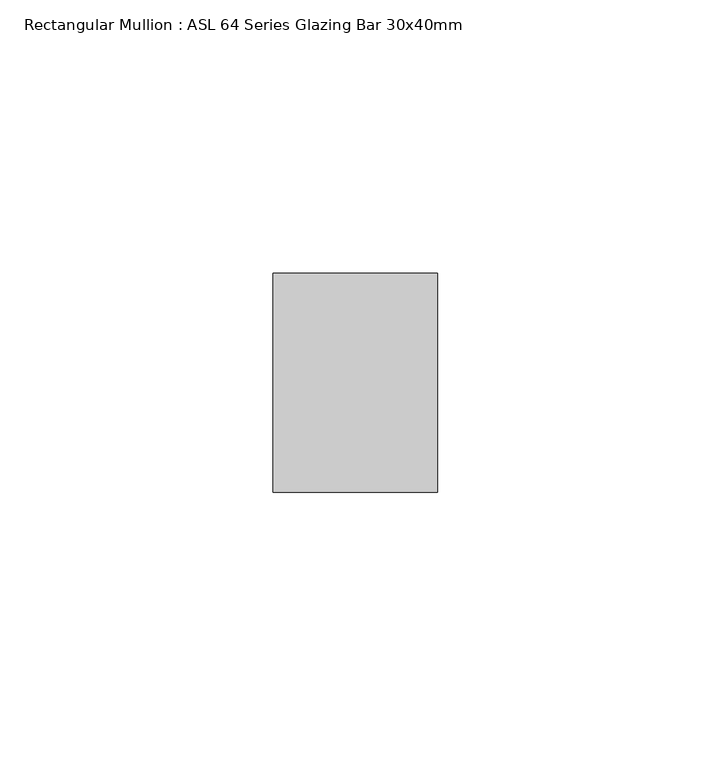
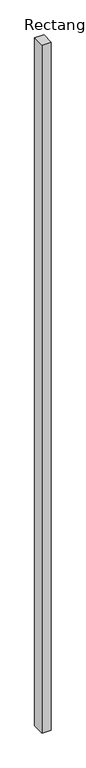
"""IFC4 building model written with IfcOpenShell, lengths in millimetres: member geometry, Rectangular Mullion : ASL 64 Series Glazing Bar 30x40mm."""

import ifcopenshell
import ifcopenshell.guid

model = None  # the IFC model being written
_history = None  # IfcOwnerHistory: only IFC2X3 demands one
_inside = {}  # id of a spatial element -> (the spatial element, [elements in it])
_under = {}  # id of a project, library or spatial element -> (it, [spatial elements below it])
_declared = {}  # id of a project -> (the project, [libraries it declares])
_typed = {}  # id of a type object -> (the type object, [elements of that type])
_made_of = {}  # id of a material, layer set ... -> (it, [elements and type objects made of it])


def new_model(schema):
    """Start an empty IFC model of exactly this schema.

    Asked for "IFC4X3", IfcOpenShell would pick the latest addendum, in which some entities
    have other attributes; the version numbers below select the first issue.
    IFC2X3 requires an IfcOwnerHistory on every rooted entity: one is made here for all.
    """
    global model, _history
    if schema == "IFC4X3":
        model = ifcopenshell.file(schema_version=(4, 3, 0, 0))
    else:
        model = ifcopenshell.file(schema=schema)
    _inside.clear()
    _under.clear()
    _declared.clear()
    _typed.clear()
    _made_of.clear()
    _history = None
    if model.schema == "IFC2X3":
        org = make("IfcOrganization", Name="unknown")
        user = make(
            "IfcPersonAndOrganization",
            ThePerson=make("IfcPerson", FamilyName="unknown"),
            TheOrganization=org,
        )
        app = make(
            "IfcApplication",
            ApplicationDeveloper=org,
            Version="unknown",
            ApplicationFullName="unknown",
            ApplicationIdentifier="unknown",
        )
        _history = make(
            "IfcOwnerHistory",
            OwningUser=user,
            OwningApplication=app,
            ChangeAction="ADDED",
            CreationDate=0,
        )
    return model


def make(cls, **values):
    """One entity of the class cls with the attributes given. An attribute that is None is left unset."""
    return model.create_entity(
        cls, **{name: value for name, value in values.items() if value is not None}
    )


def rooted(cls, **values):
    """An entity with a GlobalId (a new one), such as an element, a storey or a relation."""
    return make(cls, GlobalId=ifcopenshell.guid.new(), OwnerHistory=_history, **values)


def si_unit(unit_type, name, prefix=None):
    """IfcSIUnit, for example si_unit("LENGTHUNIT", "METRE", prefix="MILLI")."""
    return make("IfcSIUnit", UnitType=unit_type, Prefix=prefix, Name=name)


def assignment(units):
    """IfcUnitAssignment: the units of a project."""
    return None if units is None else make("IfcUnitAssignment", Units=units)


def point(xyz):
    """IfcCartesianPoint."""
    return None if xyz is None else make("IfcCartesianPoint", Coordinates=xyz)


def direction(xyz):
    """IfcDirection."""
    return None if xyz is None else make("IfcDirection", DirectionRatios=xyz)


def frame(location, z_axis=None, x_axis=None):
    """IfcAxis2Placement3D, a coordinate frame: its origin and axes. An axis left out is left unset."""
    return make(
        "IfcAxis2Placement3D",
        Location=point(location),
        Axis=direction(z_axis),
        RefDirection=direction(x_axis),
    )


def origin():
    """The frame at (0, 0, 0) with its axes left unset."""
    return frame((0.0, 0.0, 0.0))


def place(relative_to, where):
    """IfcLocalPlacement: puts the frame where relative to a parent placement (None: the world)."""
    return make(
        "IfcLocalPlacement", PlacementRelTo=relative_to, RelativePlacement=where
    )


def context(
    kind, dimensions, precision=None, world=None, true_north=None, identifier=None
):
    """IfcGeometricRepresentationContext, for example the 3D "Model" context."""
    return make(
        "IfcGeometricRepresentationContext",
        ContextIdentifier=identifier,
        ContextType=kind,
        CoordinateSpaceDimension=dimensions,
        Precision=precision,
        WorldCoordinateSystem=world,
        TrueNorth=true_north,
    )


def project(units=None, contexts=None):
    """IfcProject with its units and contexts."""
    return rooted(
        "IfcProject",
        Name="project",
        RepresentationContexts=contexts,
        UnitsInContext=assignment(units),
    )


def spatial(cls, under=None, at=None, **own):
    """A site, building, storey or space (cls), placed at a placement, below another one or the project."""
    s = rooted(cls, ObjectPlacement=at, **own)
    if under is not None:
        _under.setdefault(under.id(), (under, []))[1].append(s)
    return s


def polyline(points):
    """IfcPolyline through the points."""
    return make("IfcPolyline", Points=[point(p) for p in points])


def outline(outer, holes=None, kind="AREA"):
    """IfcArbitraryClosedProfileDef: a profile drawn as a closed curve; with holes, ...WithVoids."""
    if holes is None:
        return make("IfcArbitraryClosedProfileDef", ProfileType=kind, OuterCurve=outer)
    return make(
        "IfcArbitraryProfileDefWithVoids",
        ProfileType=kind,
        OuterCurve=outer,
        InnerCurves=holes,
    )


def extrude(swept, where, along, depth):
    """IfcExtrudedAreaSolid: the profile swept, set in the frame where, extruded along a direction by depth."""
    return make(
        "IfcExtrudedAreaSolid",
        SweptArea=swept,
        Position=where,
        ExtrudedDirection=direction(along),
        Depth=depth,
    )


def shape(context_of_items, identifier, shape_type, items):
    """IfcShapeRepresentation: the items that make up one representation, for example the "Body"."""
    return make(
        "IfcShapeRepresentation",
        ContextOfItems=context_of_items,
        RepresentationIdentifier=identifier,
        RepresentationType=shape_type,
        Items=items,
    )


def source(mapping_origin, context_of_items, identifier, shape_type, items):
    """IfcRepresentationMap: a shape defined once, which mapped items show again and again."""
    return make(
        "IfcRepresentationMap",
        MappingOrigin=mapping_origin,
        MappedRepresentation=shape(context_of_items, identifier, shape_type, items),
    )


def transform(
    local_origin,
    x_axis=None,
    y_axis=None,
    z_axis=None,
    scale=None,
    scale2=None,
    scale3=None,
    uniform=True,
):
    """IfcCartesianTransformationOperator3D, or its non-uniform kind. x_axis, y_axis, z_axis: its Axis1, 2, 3."""
    if uniform:
        return make(
            "IfcCartesianTransformationOperator3D",
            Axis1=direction(x_axis),
            Axis2=direction(y_axis),
            LocalOrigin=point(local_origin),
            Scale=scale,
            Axis3=direction(z_axis),
        )
    return make(
        "IfcCartesianTransformationOperator3DnonUniform",
        Axis1=direction(x_axis),
        Axis2=direction(y_axis),
        LocalOrigin=point(local_origin),
        Scale=scale,
        Axis3=direction(z_axis),
        Scale2=scale2,
        Scale3=scale3,
    )


def mapped(mapping_source, mapping_target):
    """IfcMappedItem: shows the shape of a source again, moved by a transform."""
    return make(
        "IfcMappedItem", MappingSource=mapping_source, MappingTarget=mapping_target
    )


def made_of(thing, what):
    """Note that an element or type object is made of a material, layer set ...; save() writes the relation."""
    if what is not None:
        _made_of.setdefault(what.id(), (what, []))[1].append(thing)
    return thing


def element(
    cls,
    number,
    at=None,
    inside=None,
    cuts=None,
    type_object=None,
    material=None,
    context=None,
    identifier="Body",
    shape_type=None,
    held_by="IfcProductDefinitionShape",
    body=None,
    shapes=None,
    **own,
):
    """One element of the class cls, such as IfcWall. Its Tag is "e" and its number.

    at: its placement. inside: the storey or other place that contains it. cuts: it is an
    opening in that element (IfcRelVoidsElement). A single representation is given by context,
    identifier, shape_type and body (its items); several are given by shapes. held_by: the class
    of the entity that holds the representations. save() writes the other relations.
    """
    e = rooted(cls, Tag="e%d" % number, ObjectPlacement=at, **own)
    if body is not None:
        shapes = [shape(context, identifier, shape_type, body)]
    if shapes is not None:
        e.Representation = make(held_by, Representations=shapes)
    if inside is not None:
        _inside.setdefault(inside.id(), (inside, []))[1].append(e)
    if cuts is not None:
        rooted(
            "IfcRelVoidsElement", RelatingBuildingElement=cuts, RelatedOpeningElement=e
        )
    if type_object is not None:
        _typed.setdefault(type_object.id(), (type_object, []))[1].append(e)
    return made_of(e, material)


def aggregate(whole, parts):
    """IfcRelAggregates: a whole, such as a stair, and the parts it consists of."""
    return rooted("IfcRelAggregates", RelatingObject=whole, RelatedObjects=parts)


def save(model, path):
    """Write the relations noted so far, then the file.

    IfcRelAggregates (storeys below a building ...), IfcRelContainedInSpatialStructure (elements
    in a storey), IfcRelDefinesByType, IfcRelAssociatesMaterial and IfcRelDeclares: one each for
    every whole, place, type object, material and project.
    """
    for whole, parts in _under.values():
        aggregate(whole, parts)
    for where, things in _inside.values():
        rooted(
            "IfcRelContainedInSpatialStructure",
            RelatedElements=things,
            RelatingStructure=where,
        )
    for kind, things in _typed.values():
        rooted("IfcRelDefinesByType", RelatedObjects=things, RelatingType=kind)
    for what, things in _made_of.values():
        rooted("IfcRelAssociatesMaterial", RelatedObjects=things, RelatingMaterial=what)
    for by, libraries in _declared.values():
        rooted("IfcRelDeclares", RelatingContext=by, RelatedDefinitions=libraries)
    model.write(path)


def rectangular_mullion_asl_64_series_glazing_bar_30x40mm_81d53560(model_context):
    return source(origin(), model_context, "Body", "SweptSolid", [
        extrude(outline(polyline([(0.0, 20.0), (0.0, -20.0), (-30.0, -20.0), (-30.0, 20.0), (0.0, 20.0)])), frame((0.0, 0.0, -2340.0), z_axis=(0.0, 0.0, 1.0), x_axis=(1.0, 0.0, 0.0)), (0.0, 0.0, 1.0), 2340.0),
    ])


if __name__ == "__main__":
    model = new_model("IFC4")
    model_context = context("Model", 3, world=origin())
    ifc_project = project(units=[si_unit("LENGTHUNIT", "METRE", prefix="MILLI")], contexts=[model_context])
    site = spatial("IfcSite", under=ifc_project)
    building = spatial("IfcBuilding", under=site)
    placement = place(None, origin())
    rectangular_mullion_asl_64_series_glazing_bar_30x40mm_shape = rectangular_mullion_asl_64_series_glazing_bar_30x40mm_81d53560(model_context)
    element("IfcMember", 1, ObjectType="Rectangular Mullion : ASL 64 Series Glazing Bar 30x40mm", at=placement, inside=building, context=model_context, shape_type="MappedRepresentation", body=[
        mapped(rectangular_mullion_asl_64_series_glazing_bar_30x40mm_shape, transform((0.0, 0.0, 0.0), x_axis=(1.0, 0.0, 0.0), y_axis=(0.0, 1.0, 0.0), z_axis=(0.0, 0.0, 1.0))),
    ])
    save(model, "model.ifc")
